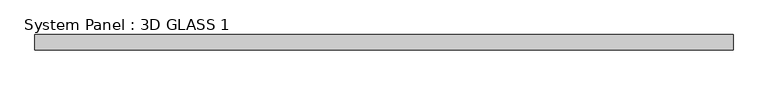
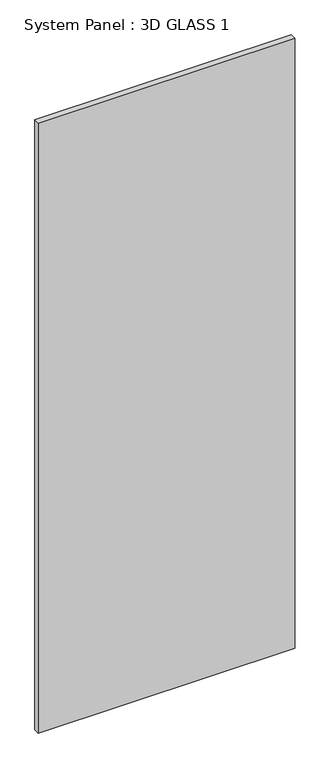
"""IFC4 building model written with IfcOpenShell, lengths in millimetres: plate geometry, System Panel : 3D GLASS 1."""

from ifc_helpers import new_model, si_unit, origin, origin_with_axes, place, context, project, spatial, polyline, outline, extrude, source, transform, mapped, element, save


def system_panel_3d_glass_1_c65edfd7(model_context):
    return source(origin(), model_context, "Body", "SweptSolid", [
        extrude(outline(polyline([(581.025, -12.7), (-581.025, -12.7), (-581.025, 12.7), (581.025, 12.7), (581.025, -12.7)])), origin_with_axes(), (0.0, 0.0, 1.0), 2921.0),
    ])


if __name__ == "__main__":
    model = new_model("IFC4")
    model_context = context("Model", 3, world=origin())
    ifc_project = project(units=[si_unit("LENGTHUNIT", "METRE", prefix="MILLI")], contexts=[model_context])
    site = spatial("IfcSite", under=ifc_project)
    building = spatial("IfcBuilding", under=site)
    placement = place(None, origin())
    system_panel_3d_glass_1_shape = system_panel_3d_glass_1_c65edfd7(model_context)
    element("IfcPlate", 1, ObjectType="System Panel : 3D GLASS 1", at=placement, inside=building, context=model_context, shape_type="MappedRepresentation", body=[
        mapped(system_panel_3d_glass_1_shape, transform((0.0, 0.0, 0.0), x_axis=(1.0, 0.0, 0.0), y_axis=(0.0, 1.0, 0.0), z_axis=(0.0, 0.0, 1.0))),
    ])
    save(model, "model.ifc")
